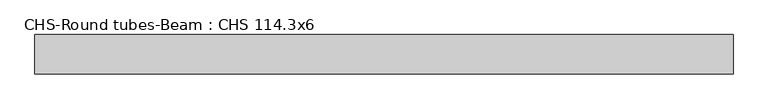
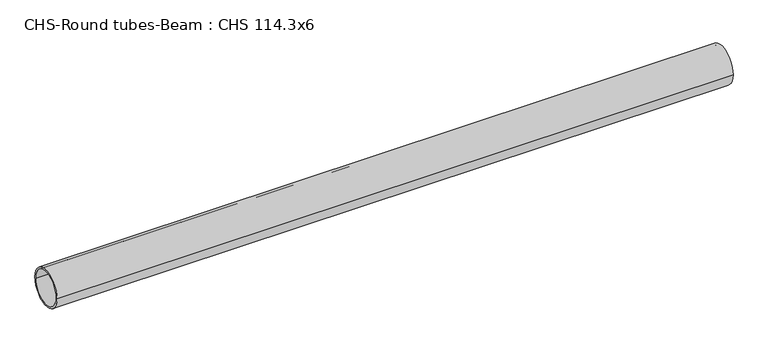
"""IFC4 building model written with IfcOpenShell, lengths in millimetres: beam geometry, CHS-Round tubes-Beam : CHS 114.3x6."""

from ifc_helpers import new_model, si_unit, point, frame, origin, origin_2d, place, context, project, spatial, circle_curve, trimmed, segment, composite_curve, outline, extrude, source, transform, mapped, element, save


def chs_round_tubes_beam_chs_114_3x6_9eca5df1(model_context):
    return source(origin(), model_context, "Body", "SweptSolid", [
        extrude(outline(composite_curve([segment(trimmed(circle_curve(origin_2d(), 57.15), [point((57.15, 0.0))], [point((-57.15, 0.0))], False, "CARTESIAN"), True, "CONTINUOUS"), segment(trimmed(circle_curve(origin_2d(), 57.15), [point((-57.15, 0.0))], [point((57.15, 0.0))], False, "CARTESIAN"), True, "CONTINUOUS")], self_intersect=False), holes=[composite_curve([segment(trimmed(circle_curve(origin_2d(), 51.15), [point((51.15, 0.0))], [point((-51.15, 0.0))], True, "CARTESIAN"), True, "CONTINUOUS"), segment(trimmed(circle_curve(origin_2d(), 51.15), [point((-51.15, 0.0))], [point((51.15, 0.0))], True, "CARTESIAN"), True, "CONTINUOUS")], self_intersect=False)]), frame((-980.312681, 0.0, 0.0), z_axis=(1.0, 0.0, 0.0), x_axis=(0.0, 1.0, 0.0)), (0.0, 0.0, 1.0), 2021.7069875),
    ])


if __name__ == "__main__":
    model = new_model("IFC4")
    model_context = context("Model", 3, world=origin())
    ifc_project = project(units=[si_unit("LENGTHUNIT", "METRE", prefix="MILLI")], contexts=[model_context])
    site = spatial("IfcSite", under=ifc_project)
    building = spatial("IfcBuilding", under=site)
    placement = place(None, origin())
    chs_round_tubes_beam_chs_114_3x6_shape = chs_round_tubes_beam_chs_114_3x6_9eca5df1(model_context)
    element("IfcBeam", 1, ObjectType="CHS-Round tubes-Beam : CHS 114.3x6", at=placement, inside=building, context=model_context, shape_type="MappedRepresentation", body=[
        mapped(chs_round_tubes_beam_chs_114_3x6_shape, transform((0.0, 0.0, 0.0), x_axis=(1.0, 0.0, 0.0), y_axis=(0.0, 1.0, 0.0), z_axis=(0.0, 0.0, 1.0))),
    ])
    save(model, "model.ifc")
